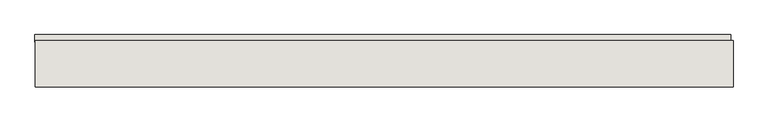
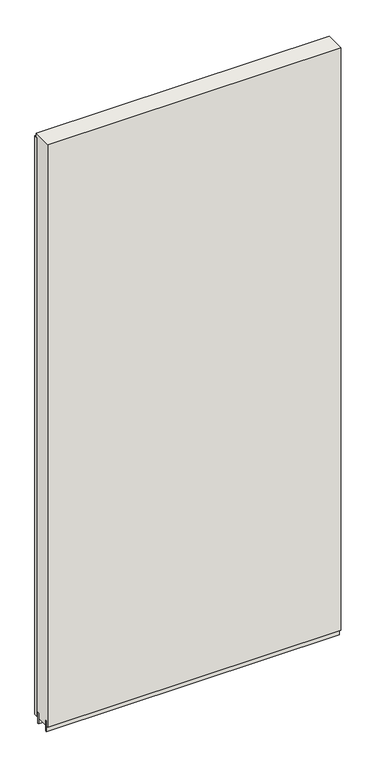
"""IFC4 building model written with IfcOpenShell, lengths in millimetres: wall geometry."""

from ifc_helpers import new_model, si_unit, frame, origin, place, context, project, spatial, polyline, outline, extrude, source, transform, mapped, element, save


def wall_b5e81c38(model_context):
    return source(origin(), model_context, "Body", "SweptSolid", [
        extrude(outline(polyline([(50803.7318696, -44700.2036398), (50801.1918696, -44700.2036398), (50801.1918696, -44697.6636398), (50803.7318696, -44697.6636398), (50803.7318696, -44700.2036398)])), frame((0.0, 0.0, 4419.6), z_axis=(0.0, 0.0, 1.0), x_axis=(1.0, 0.0, 0.0)), (0.0, 0.0, 1.0), 2.54),
        extrude(outline(polyline([(49584.065043, -44648.1336398), (50799.265051, -44648.1336398), (50799.265051, -44660.8336398), (49584.065043, -44660.8336398), (49584.065043, -44648.1336398)])), frame((0.0, 0.0, 4445.0), z_axis=(0.0, 0.0, 1.0), x_axis=(1.0, 0.0, 0.0)), (0.0, 0.0, 1.0), 2545.0498756),
        extrude(outline(polyline([(50803.7331142, -44673.8498952), (49584.5331142, -44673.8498952), (49584.5331142, -44668.7711398), (50803.7331142, -44668.7711398), (50803.7331142, -44673.8498952)])), frame((0.0, 0.0, 4418.6602), z_axis=(0.0, 0.0, 1.0), x_axis=(1.0, 0.0, 0.0)), (0.0, 0.0, 1.0), 47.625),
        extrude(outline(polyline([(50803.7331142, -44673.8498952), (49584.5331142, -44673.8498952), (49584.5331142, -44668.7711398), (50803.7331142, -44668.7711398), (50803.7331142, -44673.8498952)])), frame((0.0, 0.0, 4418.6602), z_axis=(0.0, 0.0, 1.0), x_axis=(1.0, 0.0, 0.0)), (0.0, 0.0, 1.0), 47.625),
        extrude(outline(polyline([(49584.5331142, -44724.0142856), (50803.7331142, -44724.0142856), (50803.7331142, -44729.0961398), (49584.5331142, -44729.0961398), (49584.5331142, -44724.0142856)])), frame((0.0, 0.0, 4418.6602), z_axis=(0.0, 0.0, 1.0), x_axis=(1.0, 0.0, 0.0)), (0.0, 0.0, 1.0), 47.625),
        extrude(outline(polyline([(49584.5331142, -44724.0142856), (50803.7331142, -44724.0142856), (50803.7331142, -44729.0961398), (49584.5331142, -44729.0961398), (49584.5331142, -44724.0142856)])), frame((0.0, 0.0, 4418.6602), z_axis=(0.0, 0.0, 1.0), x_axis=(1.0, 0.0, 0.0)), (0.0, 0.0, 1.0), 47.625),
        extrude(outline(polyline([(50803.7331142, -44658.30667), (50803.7331142, -44739.5854254), (49584.5331142, -44739.5854254), (49584.5331142, -44658.30667), (50803.7331142, -44658.30667)])), frame((0.0, 0.0, 4445.0), z_axis=(0.0, 0.0, 1.0), x_axis=(1.0, 0.0, 0.0)), (0.0, 0.0, 1.0), 2562.4536762),
    ])


if __name__ == "__main__":
    model = new_model("IFC4")
    model_context = context("Model", 3, world=origin())
    ifc_project = project(units=[si_unit("LENGTHUNIT", "METRE", prefix="MILLI")], contexts=[model_context])
    site = spatial("IfcSite", under=ifc_project)
    building = spatial("IfcBuilding", under=site)
    placement = place(None, origin())
    wall_shape = wall_b5e81c38(model_context)
    element("IfcWall", 1, at=placement, inside=building, context=model_context, shape_type="MappedRepresentation", body=[
        mapped(wall_shape, transform((0.0, 0.0, 0.0), x_axis=(1.0, 0.0, 0.0), y_axis=(0.0, 1.0, 0.0), z_axis=(0.0, 0.0, 1.0))),
    ])
    save(model, "model.ifc")
